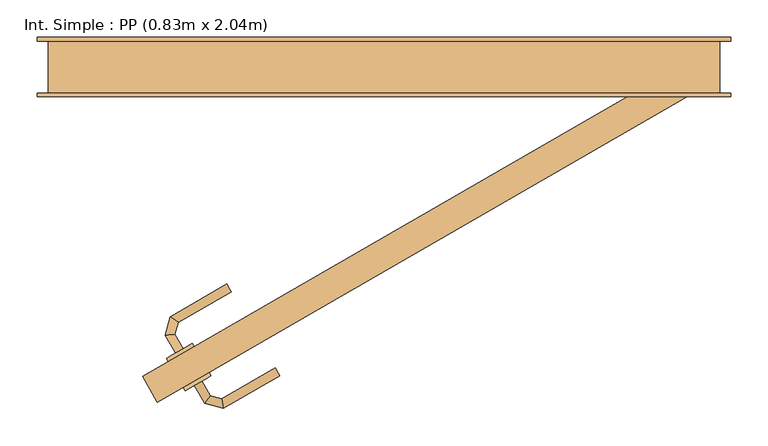
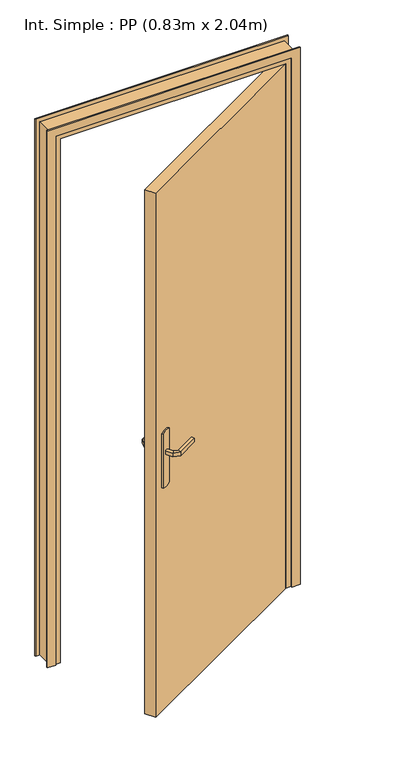
"""IFC4 building model written with IfcOpenShell, lengths in millimetres: door geometry, Int. Simple : PP (0.83m x 2.04m)."""

import ifcopenshell
import ifcopenshell.guid

model = None  # the IFC model being written
_history = None  # IfcOwnerHistory: only IFC2X3 demands one
_inside = {}  # id of a spatial element -> (the spatial element, [elements in it])
_under = {}  # id of a project, library or spatial element -> (it, [spatial elements below it])
_declared = {}  # id of a project -> (the project, [libraries it declares])
_typed = {}  # id of a type object -> (the type object, [elements of that type])
_made_of = {}  # id of a material, layer set ... -> (it, [elements and type objects made of it])


def new_model(schema):
    """Start an empty IFC model of exactly this schema.

    Asked for "IFC4X3", IfcOpenShell would pick the latest addendum, in which some entities
    have other attributes; the version numbers below select the first issue.
    IFC2X3 requires an IfcOwnerHistory on every rooted entity: one is made here for all.
    """
    global model, _history
    if schema == "IFC4X3":
        model = ifcopenshell.file(schema_version=(4, 3, 0, 0))
    else:
        model = ifcopenshell.file(schema=schema)
    _inside.clear()
    _under.clear()
    _declared.clear()
    _typed.clear()
    _made_of.clear()
    _history = None
    if model.schema == "IFC2X3":
        org = make("IfcOrganization", Name="unknown")
        user = make(
            "IfcPersonAndOrganization",
            ThePerson=make("IfcPerson", FamilyName="unknown"),
            TheOrganization=org,
        )
        app = make(
            "IfcApplication",
            ApplicationDeveloper=org,
            Version="unknown",
            ApplicationFullName="unknown",
            ApplicationIdentifier="unknown",
        )
        _history = make(
            "IfcOwnerHistory",
            OwningUser=user,
            OwningApplication=app,
            ChangeAction="ADDED",
            CreationDate=0,
        )
    return model


def make(cls, **values):
    """One entity of the class cls with the attributes given. An attribute that is None is left unset."""
    return model.create_entity(
        cls, **{name: value for name, value in values.items() if value is not None}
    )


def rooted(cls, **values):
    """An entity with a GlobalId (a new one), such as an element, a storey or a relation."""
    return make(cls, GlobalId=ifcopenshell.guid.new(), OwnerHistory=_history, **values)


def si_unit(unit_type, name, prefix=None):
    """IfcSIUnit, for example si_unit("LENGTHUNIT", "METRE", prefix="MILLI")."""
    return make("IfcSIUnit", UnitType=unit_type, Prefix=prefix, Name=name)


def assignment(units):
    """IfcUnitAssignment: the units of a project."""
    return None if units is None else make("IfcUnitAssignment", Units=units)


def point(xyz):
    """IfcCartesianPoint."""
    return None if xyz is None else make("IfcCartesianPoint", Coordinates=xyz)


def direction(xyz):
    """IfcDirection."""
    return None if xyz is None else make("IfcDirection", DirectionRatios=xyz)


def frame(location, z_axis=None, x_axis=None):
    """IfcAxis2Placement3D, a coordinate frame: its origin and axes. An axis left out is left unset."""
    return make(
        "IfcAxis2Placement3D",
        Location=point(location),
        Axis=direction(z_axis),
        RefDirection=direction(x_axis),
    )


def frame_2d(location, x_axis=None):
    """IfcAxis2Placement2D, a coordinate frame in the plane: its origin and x axis."""
    return make(
        "IfcAxis2Placement2D", Location=point(location), RefDirection=direction(x_axis)
    )


def origin():
    """The frame at (0, 0, 0) with its axes left unset."""
    return frame((0.0, 0.0, 0.0))


def origin_with_axes():
    """The frame at (0, 0, 0) with the z axis (0, 0, 1) and the x axis (1, 0, 0) written out."""
    return frame((0.0, 0.0, 0.0), z_axis=(0.0, 0.0, 1.0), x_axis=(1.0, 0.0, 0.0))


def place(relative_to, where):
    """IfcLocalPlacement: puts the frame where relative to a parent placement (None: the world)."""
    return make(
        "IfcLocalPlacement", PlacementRelTo=relative_to, RelativePlacement=where
    )


def context(
    kind, dimensions, precision=None, world=None, true_north=None, identifier=None
):
    """IfcGeometricRepresentationContext, for example the 3D "Model" context."""
    return make(
        "IfcGeometricRepresentationContext",
        ContextIdentifier=identifier,
        ContextType=kind,
        CoordinateSpaceDimension=dimensions,
        Precision=precision,
        WorldCoordinateSystem=world,
        TrueNorth=true_north,
    )


def project(units=None, contexts=None):
    """IfcProject with its units and contexts."""
    return rooted(
        "IfcProject",
        Name="project",
        RepresentationContexts=contexts,
        UnitsInContext=assignment(units),
    )


def spatial(cls, under=None, at=None, **own):
    """A site, building, storey or space (cls), placed at a placement, below another one or the project."""
    s = rooted(cls, ObjectPlacement=at, **own)
    if under is not None:
        _under.setdefault(under.id(), (under, []))[1].append(s)
    return s


def polyline(points):
    """IfcPolyline through the points."""
    return make("IfcPolyline", Points=[point(p) for p in points])


def circle_curve(where, radius):
    """IfcCircle in the frame where."""
    return make("IfcCircle", Position=where, Radius=radius)


def ellipse_curve(where, semi_axis1, semi_axis2):
    """IfcEllipse in the frame where."""
    return make(
        "IfcEllipse", Position=where, SemiAxis1=semi_axis1, SemiAxis2=semi_axis2
    )


def trimmed(basis, trim1, trim2, sense, master):
    """IfcTrimmedCurve: the piece of a basis curve between two trims."""
    return make(
        "IfcTrimmedCurve",
        BasisCurve=basis,
        Trim1=trim1,
        Trim2=trim2,
        SenseAgreement=sense,
        MasterRepresentation=master,
    )


def segment(curve, same_sense, transition):
    """IfcCompositeCurveSegment."""
    return make(
        "IfcCompositeCurveSegment",
        Transition=transition,
        SameSense=same_sense,
        ParentCurve=curve,
    )


def composite_curve(segments, self_intersect=None):
    """IfcCompositeCurve: segments joined end to end."""
    return make("IfcCompositeCurve", Segments=segments, SelfIntersect=self_intersect)


def outline(outer, holes=None, kind="AREA"):
    """IfcArbitraryClosedProfileDef: a profile drawn as a closed curve; with holes, ...WithVoids."""
    if holes is None:
        return make("IfcArbitraryClosedProfileDef", ProfileType=kind, OuterCurve=outer)
    return make(
        "IfcArbitraryProfileDefWithVoids",
        ProfileType=kind,
        OuterCurve=outer,
        InnerCurves=holes,
    )


def extrude(swept, where, along, depth):
    """IfcExtrudedAreaSolid: the profile swept, set in the frame where, extruded along a direction by depth."""
    return make(
        "IfcExtrudedAreaSolid",
        SweptArea=swept,
        Position=where,
        ExtrudedDirection=direction(along),
        Depth=depth,
    )


def faces_of(points, faces, orient=None, outer=None):
    """IfcFace entities. A face is a list of loops; a loop is a list of indices into points, from 0.

    orient and outer hold one flag for each loop. By default every Orientation is true, the
    first loop of a face is its IfcFaceOuterBound and the others are IfcFaceBound.
    """
    made = []
    for i, loops in enumerate(faces):
        bounds = []
        for j, loop in enumerate(loops):
            is_outer = j == 0 if outer is None else outer[i][j]
            bounds.append(
                make(
                    "IfcFaceOuterBound" if is_outer else "IfcFaceBound",
                    Bound=make("IfcPolyLoop", Polygon=[points[k] for k in loop]),
                    Orientation=True if orient is None else orient[i][j],
                )
            )
        made.append(make("IfcFace", Bounds=bounds))
    return made


def faceted_brep(points, faces, orient=None, outer=None, voids=None):
    """IfcFacetedBrep: a solid bounded by flat faces; with voids (closed shells), ...WithVoids."""
    shared = [point(p) for p in points]
    hull = make("IfcClosedShell", CfsFaces=faces_of(shared, faces, orient, outer))
    if voids is None:
        return make("IfcFacetedBrep", Outer=hull)
    return make(
        "IfcFacetedBrepWithVoids",
        Outer=hull,
        Voids=[
            make(cls, CfsFaces=faces_of(shared, fs, o, b)) for cls, fs, o, b in voids
        ],
    )


def shape(context_of_items, identifier, shape_type, items):
    """IfcShapeRepresentation: the items that make up one representation, for example the "Body"."""
    return make(
        "IfcShapeRepresentation",
        ContextOfItems=context_of_items,
        RepresentationIdentifier=identifier,
        RepresentationType=shape_type,
        Items=items,
    )


def source(mapping_origin, context_of_items, identifier, shape_type, items):
    """IfcRepresentationMap: a shape defined once, which mapped items show again and again."""
    return make(
        "IfcRepresentationMap",
        MappingOrigin=mapping_origin,
        MappedRepresentation=shape(context_of_items, identifier, shape_type, items),
    )


def transform(
    local_origin,
    x_axis=None,
    y_axis=None,
    z_axis=None,
    scale=None,
    scale2=None,
    scale3=None,
    uniform=True,
):
    """IfcCartesianTransformationOperator3D, or its non-uniform kind. x_axis, y_axis, z_axis: its Axis1, 2, 3."""
    if uniform:
        return make(
            "IfcCartesianTransformationOperator3D",
            Axis1=direction(x_axis),
            Axis2=direction(y_axis),
            LocalOrigin=point(local_origin),
            Scale=scale,
            Axis3=direction(z_axis),
        )
    return make(
        "IfcCartesianTransformationOperator3DnonUniform",
        Axis1=direction(x_axis),
        Axis2=direction(y_axis),
        LocalOrigin=point(local_origin),
        Scale=scale,
        Axis3=direction(z_axis),
        Scale2=scale2,
        Scale3=scale3,
    )


def mapped(mapping_source, mapping_target):
    """IfcMappedItem: shows the shape of a source again, moved by a transform."""
    return make(
        "IfcMappedItem", MappingSource=mapping_source, MappingTarget=mapping_target
    )


def made_of(thing, what):
    """Note that an element or type object is made of a material, layer set ...; save() writes the relation."""
    if what is not None:
        _made_of.setdefault(what.id(), (what, []))[1].append(thing)
    return thing


def element(
    cls,
    number,
    at=None,
    inside=None,
    cuts=None,
    type_object=None,
    material=None,
    context=None,
    identifier="Body",
    shape_type=None,
    held_by="IfcProductDefinitionShape",
    body=None,
    shapes=None,
    **own,
):
    """One element of the class cls, such as IfcWall. Its Tag is "e" and its number.

    at: its placement. inside: the storey or other place that contains it. cuts: it is an
    opening in that element (IfcRelVoidsElement). A single representation is given by context,
    identifier, shape_type and body (its items); several are given by shapes. held_by: the class
    of the entity that holds the representations. save() writes the other relations.
    """
    e = rooted(cls, Tag="e%d" % number, ObjectPlacement=at, **own)
    if body is not None:
        shapes = [shape(context, identifier, shape_type, body)]
    if shapes is not None:
        e.Representation = make(held_by, Representations=shapes)
    if inside is not None:
        _inside.setdefault(inside.id(), (inside, []))[1].append(e)
    if cuts is not None:
        rooted(
            "IfcRelVoidsElement", RelatingBuildingElement=cuts, RelatedOpeningElement=e
        )
    if type_object is not None:
        _typed.setdefault(type_object.id(), (type_object, []))[1].append(e)
    return made_of(e, material)


def aggregate(whole, parts):
    """IfcRelAggregates: a whole, such as a stair, and the parts it consists of."""
    return rooted("IfcRelAggregates", RelatingObject=whole, RelatedObjects=parts)


def save(model, path):
    """Write the relations noted so far, then the file.

    IfcRelAggregates (storeys below a building ...), IfcRelContainedInSpatialStructure (elements
    in a storey), IfcRelDefinesByType, IfcRelAssociatesMaterial and IfcRelDeclares: one each for
    every whole, place, type object, material and project.
    """
    for whole, parts in _under.values():
        aggregate(whole, parts)
    for where, things in _inside.values():
        rooted(
            "IfcRelContainedInSpatialStructure",
            RelatedElements=things,
            RelatingStructure=where,
        )
    for kind, things in _typed.values():
        rooted("IfcRelDefinesByType", RelatedObjects=things, RelatingType=kind)
    for what, things in _made_of.values():
        rooted("IfcRelAssociatesMaterial", RelatedObjects=things, RelatingMaterial=what)
    for by, libraries in _declared.values():
        rooted("IfcRelDeclares", RelatingContext=by, RelatedDefinitions=libraries)
    model.write(path)


def plane_surface(at):
    """IfcPlane: the flat surface through the origin of the frame at, square to its z axis."""
    return make("IfcPlane", Position=at)


def cylinder_surface(at, radius):
    """IfcCylindricalSurface: all points at the distance radius from the z axis of the frame at."""
    return make("IfcCylindricalSurface", Position=at, Radius=radius)


def advanced_brep(points, edges, surfaces, faces):
    """IfcAdvancedBrep: a solid bounded by faces that lie on surfaces and meet in shared edges.

    An edge is (start, end): straight between two places in points (the first is 0);
    or (start, end, curve); or (start, end, curve, False) where it runs against its curve.
    A face is (place in surfaces, loops), or (place, loops, False) where it looks against
    its surface's normal. A loop lists edges by number (the first is 1), with a minus sign
    where the edge is run from its end to its start. The first loop is the outer one.
    """
    corners = [point(p) for p in points]
    vertices = [make("IfcVertexPoint", VertexGeometry=c) for c in corners]
    made = []
    for start, end, *more in edges:
        made.append(
            make(
                "IfcEdgeCurve",
                EdgeStart=vertices[start],
                EdgeEnd=vertices[end],
                EdgeGeometry=more[0] if more else make("IfcPolyline", Points=[corners[start], corners[end]]),
                SameSense=more[1] if len(more) > 1 else True,
            )
        )
    hull = []
    for where, loops, *sense in faces:
        bounds = []
        for j, loop in enumerate(loops):
            ring = [make("IfcOrientedEdge", EdgeElement=made[abs(k) - 1], Orientation=k > 0) for k in loop]
            bounds.append(
                make(
                    "IfcFaceOuterBound" if j == 0 else "IfcFaceBound",
                    Bound=make("IfcEdgeLoop", EdgeList=ring),
                    Orientation=True,
                )
            )
        hull.append(make("IfcAdvancedFace", Bounds=bounds, FaceSurface=surfaces[where], SameSense=sense[0] if sense else True))
    return make("IfcAdvancedBrep", Outer=make("IfcClosedShell", CfsFaces=hull))


def int_simple_pp_0_83m_x_2_04m_8e3dc345(model_context):
    return source(origin(), model_context, "Body", "SolidModel", [
        extrude(outline(composite_curve([segment(trimmed(circle_curve(frame_2d((0.0, -40.0)), 40.0), [point((-34.6410162, -60.0))], [point((-34.6410162, -19.9999999))], False, "CARTESIAN"), True, "CONTINUOUS"), segment(polyline([(-34.6410162, -19.9999999), (175.3589838, -19.9999999)]), True, "CONTINUOUS"), segment(trimmed(circle_curve(frame_2d((140.7179676, -40.0)), 40.0), [point((175.3589838, -19.9999999))], [point((175.3589838, -60.0))], False, "CARTESIAN"), True, "CONTINUOUS"), segment(polyline([(175.3589838, -60.0), (-34.6410162, -60.0)]), True, "CONTINUOUS")], self_intersect=False)), frame((-249.6985448, -404.330127, 904.6410162), z_axis=(-0.5, 0.8660254037844387, 0.0), x_axis=(0.0, 0.0, 1.0)), (0.0, 0.0, 1.0), 5.0),
        extrude(outline(composite_curve([segment(trimmed(circle_curve(frame_2d((0.0, -40.0)), 40.0), [point((34.6410162, -19.9999999))], [point((34.6410162, -60.0))], False, "CARTESIAN"), True, "CONTINUOUS"), segment(polyline([(34.6410162, -60.0), (-175.3589838, -60.0)]), True, "CONTINUOUS"), segment(trimmed(circle_curve(frame_2d((-140.7179676, -40.0)), 40.0), [point((-175.3589838, -60.0))], [point((-175.3589838, -19.9999999))], False, "CARTESIAN"), True, "CONTINUOUS"), segment(polyline([(-175.3589838, -19.9999999), (34.6410162, -19.9999999)]), True, "CONTINUOUS")], self_intersect=False)), frame((-272.1985448, -365.3589838, 1045.3589838), z_axis=(-0.5, 0.8660254037844387, 0.0), x_axis=(0.0, 0.0, 1.0)), (0.0, 0.0, 1.0), 5.0),
        advanced_brep(
        [(-289.5357133, -427.330127, 1007.0), (-279.1434085, -421.330127, 1007.0), (-279.1434085, -421.330127, 993.0), (-289.5357133, -427.330127, 993.0), (-275.710238, -451.2765528, 1007.0), (-267.8032145, -440.9719192, 1007.0), (-267.8032145, -440.9719192, 993.0), (-275.710238, -451.2765528, 993.0), (-250.6065023, -458.0030785, 1007.0), (-252.3018687, -445.1254922, 1007.0), (-252.3018687, -445.1254922, 993.0), (-250.6065023, -458.0030785, 993.0), (-174.706797, -414.1823632, 1007.0), (-174.706797, -414.1823632, 993.0), (-180.706797, -403.7900583, 993.0), (-180.706797, -403.7900583, 1007.0)],
        [
            (0, 1, circle_curve(frame((-284.3395609, -424.330127, 986.9542278), z_axis=(-0.5000000000000028, 0.866025403784437, 0.0), x_axis=(0.866025403784437, 0.5000000000000028, 0.0)), 20.9244589)),
            (1, 2),
            (2, 3, circle_curve(frame((-284.3395609, -424.330127, 1013.0457722), z_axis=(-0.5000000000000028, 0.866025403784437, 0.0), x_axis=(0.866025403784437, 0.5000000000000028, 0.0)), 20.9244589)),
            (3, 0),
            (0, 4),
            (4, 5, ellipse_curve(frame((-271.7567263, -446.124236, 986.9542278), z_axis=(-0.7933533402912499, 0.6087614290087013, 0.0), x_axis=(0.6087614290087014, 0.7933533402912498, 0.0)), 22.6484711, 20.9244589)),
            (5, 1),
            (5, 6),
            (6, 2),
            (6, 7, ellipse_curve(frame((-271.7567263, -446.124236, 1013.0457722), z_axis=(-0.7933533402912499, 0.6087614290087013, 0.0), x_axis=(0.6087614290087014, 0.7933533402912498, 0.0)), 22.6484711, 20.9244589)),
            (7, 3),
            (7, 4),
            (4, 8),
            (8, 9, ellipse_curve(frame((-251.4541855, -451.5642854, 986.9542278), z_axis=(-0.9914448613738073, -0.13052619222007575, 0.0), x_axis=(-0.13052619222007555, 0.9914448613738074, 0.0)), 22.6484711, 20.9244589)),
            (9, 5),
            (9, 10),
            (10, 6),
            (10, 11, ellipse_curve(frame((-251.4541855, -451.5642854, 1013.0457722), z_axis=(-0.9914448613738073, -0.13052619222007575, 0.0), x_axis=(-0.13052619222007555, 0.9914448613738074, 0.0)), 22.6484711, 20.9244589)),
            (11, 7),
            (11, 8),
            (12, 13),
            (13, 14, circle_curve(frame((-177.706797, -408.9862107, 1013.0457722), z_axis=(0.8660254037844369, 0.500000000000003, 0.0), x_axis=(-0.500000000000003, 0.8660254037844369, 0.0)), 20.9244589)),
            (14, 15),
            (15, 12, circle_curve(frame((-177.706797, -408.9862107, 986.9542278), z_axis=(0.8660254037844369, 0.500000000000003, 0.0), x_axis=(-0.500000000000003, 0.8660254037844369, 0.0)), 20.9244589)),
            (8, 12),
            (15, 9),
            (14, 10),
            (13, 11),
        ],
        [
            plane_surface(frame((-292.3239206, -428.9398992, 1000.0), z_axis=(-0.5000000000000028, 0.866025403784437, 0.0), x_axis=(0.0, 0.0, -1.0))),
            cylinder_surface(frame((-284.3395609, -424.330127, 986.9542278), z_axis=(-0.5000000000000028, 0.866025403784437, 0.0), x_axis=(0.866025403784437, 0.5000000000000028, 0.0)), 20.9244589),
            plane_surface(frame((-279.1434085, -421.330127, 1007.0), z_axis=(0.866025403784437, 0.5000000000000028, 0.0), x_axis=(0.5000000000000028, -0.866025403784437, 0.0))),
            cylinder_surface(frame((-284.3395609, -424.330127, 1013.0457722), z_axis=(-0.5000000000000028, 0.866025403784437, 0.0), x_axis=(0.866025403784437, 0.5000000000000028, 0.0)), 20.9244589),
            plane_surface(frame((-289.5357133, -427.330127, 993.0), z_axis=(-0.866025403784437, -0.5000000000000028, 0.0), x_axis=(0.5000000000000028, -0.866025403784437, 0.0))),
            cylinder_surface(frame((-271.7567263, -446.124236, 986.9542278), z_axis=(-0.96592582628908, 0.25881904510247705, 0.0), x_axis=(0.25881904510247705, 0.96592582628908, 0.0)), 20.9244589),
            plane_surface(frame((-267.8032145, -440.9719192, 1007.0), z_axis=(0.258819045102477, 0.96592582628908, 0.0), x_axis=(0.96592582628908, -0.258819045102477, 0.0))),
            cylinder_surface(frame((-271.7567263, -446.124236, 1013.0457722), z_axis=(-0.96592582628908, 0.25881904510247705, 0.0), x_axis=(0.25881904510247705, 0.96592582628908, 0.0)), 20.9244589),
            plane_surface(frame((-275.710238, -451.2765528, 993.0), z_axis=(-0.258819045102477, -0.96592582628908, 0.0), x_axis=(0.96592582628908, -0.258819045102477, 0.0))),
            plane_surface(frame((-177.706797, -408.9862107, 990.7804555), z_axis=(0.866025403784437, 0.5000000000000028, 0.0), x_axis=(-0.5000000000000028, 0.866025403784437, 0.0))),
            cylinder_surface(frame((-251.4541855, -451.5642854, 986.9542278), z_axis=(-0.8660254037844369, -0.500000000000003, 0.0), x_axis=(-0.500000000000003, 0.8660254037844369, 0.0)), 20.9244589),
            plane_surface(frame((-252.3018687, -445.1254922, 1007.0), z_axis=(-0.5000000000000028, 0.866025403784437, 0.0), x_axis=(0.866025403784437, 0.5000000000000028, 0.0))),
            cylinder_surface(frame((-251.4541855, -451.5642854, 1013.0457722), z_axis=(-0.8660254037844369, -0.500000000000003, 0.0), x_axis=(-0.500000000000003, 0.8660254037844369, 0.0)), 20.9244589),
            plane_surface(frame((-250.6065023, -458.0030785, 993.0), z_axis=(0.5000000000000028, -0.866025403784437, 0.0), x_axis=(0.866025403784437, 0.5000000000000028, 0.0))),
        ],
        [
            (0, [[1, 2, 3, 4]]),
            (1, [[-1, 5, 6, 7]]),
            (2, [[-2, -7, 8, 9]]),
            (3, [[-3, -9, 10, 11]]),
            (4, [[-4, -11, 12, -5]]),
            (5, [[-6, 13, 14, 15]]),
            (6, [[-8, -15, 16, 17]]),
            (7, [[-10, -17, 18, 19]]),
            (8, [[-12, -19, 20, -13]]),
            (9, [[21, 22, 23, 24]]),
            (10, [[-14, 25, -24, 26]]),
            (11, [[-16, -26, -23, 27]]),
            (12, [[-18, -27, -22, 28]]),
            (13, [[-20, -28, -21, -25]]),
        ],
    ),
        advanced_brep(
        [(-304.1434085, -378.0288568, 993.0), (-304.1434085, -378.0288568, 1007.0), (-314.5357133, -384.0288568, 1007.0), (-314.5357133, -384.0288568, 993.0), (-315.3860107, -358.5560985, 993.0), (-315.3860107, -358.5560985, 1007.0), (-328.263597, -360.2514649, 1007.0), (-328.263597, -360.2514649, 993.0), (-311.182106, -342.8669124, 993.0), (-311.182106, -342.8669124, 1007.0), (-321.4867396, -334.9598889, 1007.0), (-321.4867396, -334.9598889, 993.0), (-239.6826137, -301.5866612, 993.0), (-245.6826137, -291.1943564, 993.0), (-245.6826137, -291.1943564, 1007.0), (-239.6826137, -301.5866612, 1007.0)],
        [
            (0, 1),
            (1, 2, circle_curve(frame((-309.3395609, -381.0288568, 986.9542278), z_axis=(0.5000000000000028, -0.866025403784437, 0.0), x_axis=(-0.866025403784437, -0.5000000000000028, 0.0)), 20.9244589)),
            (2, 3),
            (3, 0, circle_curve(frame((-309.3395609, -381.0288568, 1013.0457722), z_axis=(0.5000000000000028, -0.866025403784437, 0.0), x_axis=(-0.866025403784437, -0.5000000000000028, 0.0)), 20.9244589)),
            (0, 4),
            (4, 5),
            (5, 1),
            (5, 6, ellipse_curve(frame((-321.8248039, -359.4037817, 986.9542278), z_axis=(0.13052619222003425, -0.9914448613738126, 0.0), x_axis=(0.9914448613738128, 0.13052619222003373, 0.0)), 22.6484711, 20.9244589)),
            (6, 2),
            (6, 7),
            (7, 3),
            (7, 4, ellipse_curve(frame((-321.8248039, -359.4037817, 1013.0457722), z_axis=(0.13052619222003425, -0.9914448613738126, 0.0), x_axis=(0.9914448613738128, 0.13052619222003373, 0.0)), 22.6484711, 20.9244589)),
            (4, 8),
            (8, 9),
            (9, 5),
            (9, 10, ellipse_curve(frame((-316.3344228, -338.9134007, 986.9542278), z_axis=(-0.6087614290087345, -0.7933533402912245, 0.0), x_axis=(0.7933533402912246, -0.6087614290087342, 0.0)), 22.6484711, 20.9244589)),
            (10, 6),
            (10, 11),
            (11, 7),
            (11, 8, ellipse_curve(frame((-316.3344228, -338.9134007, 1013.0457722), z_axis=(-0.6087614290087345, -0.7933533402912245, 0.0), x_axis=(0.7933533402912246, -0.6087614290087342, 0.0)), 22.6484711, 20.9244589)),
            (12, 13, circle_curve(frame((-242.6826137, -296.3905088, 1013.0457722), z_axis=(0.866025403784437, 0.5000000000000028, 0.0), x_axis=(-0.5000000000000028, 0.866025403784437, 0.0)), 20.9244589)),
            (13, 14),
            (14, 15, circle_curve(frame((-242.6826137, -296.3905088, 986.9542278), z_axis=(0.866025403784437, 0.5000000000000028, 0.0), x_axis=(-0.5000000000000028, 0.866025403784437, 0.0)), 20.9244589)),
            (15, 12),
            (8, 12),
            (15, 9),
            (14, 10),
            (13, 11),
        ],
        [
            plane_surface(frame((-317.3239206, -385.6386291, 1000.0), z_axis=(0.5000000000000028, -0.866025403784437, 0.0), x_axis=(0.0, 0.0, 1.0))),
            plane_surface(frame((-304.1434085, -378.0288568, 993.0), z_axis=(0.866025403784437, 0.5000000000000028, 0.0), x_axis=(-0.5000000000000028, 0.866025403784437, 0.0))),
            cylinder_surface(frame((-309.3395609, -381.0288568, 986.9542278), z_axis=(0.5000000000000028, -0.866025403784437, 0.0), x_axis=(-0.866025403784437, -0.5000000000000028, 0.0)), 20.9244589),
            plane_surface(frame((-314.5357133, -384.0288568, 1007.0), z_axis=(-0.866025403784437, -0.5000000000000028, 0.0), x_axis=(-0.5000000000000028, 0.866025403784437, 0.0))),
            cylinder_surface(frame((-309.3395609, -381.0288568, 1013.0457722), z_axis=(0.5000000000000028, -0.866025403784437, 0.0), x_axis=(-0.866025403784437, -0.5000000000000028, 0.0)), 20.9244589),
            plane_surface(frame((-315.3860107, -358.5560985, 993.0), z_axis=(0.9659258262890584, -0.2588190451025576, 0.0), x_axis=(0.2588190451025576, 0.9659258262890584, 0.0))),
            cylinder_surface(frame((-321.8248039, -359.4037817, 986.9542278), z_axis=(-0.2588190451025576, -0.9659258262890584, 0.0), x_axis=(-0.9659258262890584, 0.2588190451025576, 0.0)), 20.9244589),
            plane_surface(frame((-328.263597, -360.2514649, 1007.0), z_axis=(-0.9659258262890584, 0.25881904510255754, 0.0), x_axis=(0.25881904510255754, 0.9659258262890584, 0.0))),
            cylinder_surface(frame((-321.8248039, -359.4037817, 1013.0457722), z_axis=(-0.2588190451025576, -0.9659258262890584, 0.0), x_axis=(-0.9659258262890584, 0.2588190451025576, 0.0)), 20.9244589),
            plane_surface(frame((-242.6826137, -296.3905088, 990.7804555), z_axis=(0.866025403784437, 0.5000000000000028, 0.0), x_axis=(-0.5000000000000028, 0.866025403784437, 0.0))),
            plane_surface(frame((-311.182106, -342.8669124, 993.0), z_axis=(0.5000000000000028, -0.866025403784437, 0.0), x_axis=(0.866025403784437, 0.5000000000000028, 0.0))),
            cylinder_surface(frame((-316.3344228, -338.9134007, 986.9542278), z_axis=(-0.866025403784437, -0.5000000000000028, 0.0), x_axis=(-0.5000000000000028, 0.866025403784437, 0.0)), 20.9244589),
            plane_surface(frame((-321.4867396, -334.9598889, 1007.0), z_axis=(-0.5000000000000028, 0.866025403784437, 0.0), x_axis=(0.866025403784437, 0.5000000000000028, 0.0))),
            cylinder_surface(frame((-316.3344228, -338.9134007, 1013.0457722), z_axis=(-0.866025403784437, -0.5000000000000028, 0.0), x_axis=(-0.5000000000000028, 0.866025403784437, 0.0)), 20.9244589),
        ],
        [
            (0, [[1, 2, 3, 4]]),
            (1, [[-1, 5, 6, 7]]),
            (2, [[-2, -7, 8, 9]]),
            (3, [[-3, -9, 10, 11]]),
            (4, [[-4, -11, 12, -5]]),
            (5, [[-6, 13, 14, 15]]),
            (6, [[-8, -15, 16, 17]]),
            (7, [[-10, -17, 18, 19]]),
            (8, [[-12, -19, 20, -13]]),
            (9, [[21, 22, 23, 24]]),
            (10, [[-14, 25, -24, 26]]),
            (11, [[-16, -26, -23, 27]]),
            (12, [[-18, -27, -22, 28]]),
            (13, [[-20, -28, -21, -25]]),
        ],
    ),
        extrude(outline(polyline([(-358.8010851, -415.3589838), (360.0, -0.3589838), (380.0, -35.0), (-338.8010851, -450.0), (-358.8010851, -415.3589838)])), origin_with_axes(), (0.0, 0.0, 1.0), 2040.0),
        faceted_brep([(-485.0, -35.0, 0.0), (-485.0, 35.0, 0.0), (-435.0, 35.0, 0.0), (-435.0, 5.0, 0.0), (-450.0, 5.0, 0.0), (-450.0, -35.0, 0.0), (-485.0, -35.0, 2075.0), (-485.0, 35.0, 2075.0), (415.0, 35.0, 2075.0), (415.0, 35.0, 0.0), (365.0, 35.0, 0.0), (365.0, 35.0, 2025.0), (-435.0, 35.0, 2025.0), (-435.0, 5.0, 2025.0), (365.0, 5.0, 2025.0), (365.0, 5.0, 0.0), (380.0, 5.0, 0.0), (380.0, 5.0, 2040.0), (-450.0, 5.0, 2040.0), (-450.0, -35.0, 2040.0), (380.0, -35.0, 2040.0), (380.0, -35.0, 0.0), (415.0, -35.0, 0.0), (415.0, -35.0, 2075.0)], [[[0, 1, 2, 3, 4, 5]], [[1, 0, 6, 7]], [[2, 1, 7, 8, 9, 10, 11, 12]], [[3, 2, 12, 13]], [[4, 3, 13, 14, 15, 16, 17, 18]], [[5, 4, 18, 19]], [[0, 5, 19, 20, 21, 22, 23, 6]], [[8, 23, 22, 9]], [[22, 21, 16, 15, 10, 9]], [[14, 11, 10, 15]], [[20, 17, 16, 21]], [[7, 6, 23, 8]], [[13, 12, 11, 14]], [[19, 18, 17, 20]]]),
        extrude(outline(polyline([(0.0, -500.0), (0.0, -470.0), (2060.0, -470.0), (2060.0, 400.0), (0.0, 400.0), (0.0, 430.0), (2090.0, 430.0), (2090.0, -500.0), (0.0, -500.0)])), frame((0.0, -40.0, 0.0), z_axis=(0.0, 1.0, 0.0), x_axis=(0.0, 0.0, 1.0)), (0.0, 0.0, 1.0), 5.0),
        extrude(outline(polyline([(0.0, -500.0), (0.0, -470.0), (2060.0, -470.0), (2060.0, 400.0), (0.0, 400.0), (0.0, 430.0), (2090.0, 430.0), (2090.0, -500.0), (0.0, -500.0)])), frame((0.0, 35.0, 0.0), z_axis=(0.0, 1.0, 0.0), x_axis=(0.0, 0.0, 1.0)), (0.0, 0.0, 1.0), 5.0),
    ])


if __name__ == "__main__":
    model = new_model("IFC4")
    model_context = context("Model", 3, world=origin())
    ifc_project = project(units=[si_unit("LENGTHUNIT", "METRE", prefix="MILLI")], contexts=[model_context])
    site = spatial("IfcSite", under=ifc_project)
    building = spatial("IfcBuilding", under=site)
    placement = place(None, origin())
    int_simple_pp_0_83m_x_2_04m_shape = int_simple_pp_0_83m_x_2_04m_8e3dc345(model_context)
    element("IfcDoor", 1, ObjectType="Int. Simple : PP (0.83m x 2.04m)", at=placement, inside=building, context=model_context, shape_type="MappedRepresentation", body=[
        mapped(int_simple_pp_0_83m_x_2_04m_shape, transform((0.0, 0.0, 0.0), x_axis=(1.0, 0.0, 0.0), y_axis=(0.0, 1.0, 0.0), z_axis=(0.0, 0.0, 1.0))),
    ])
    save(model, "model.ifc")
